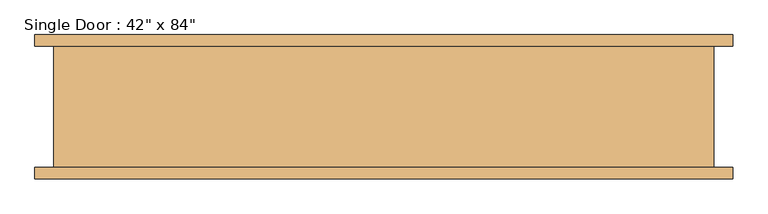
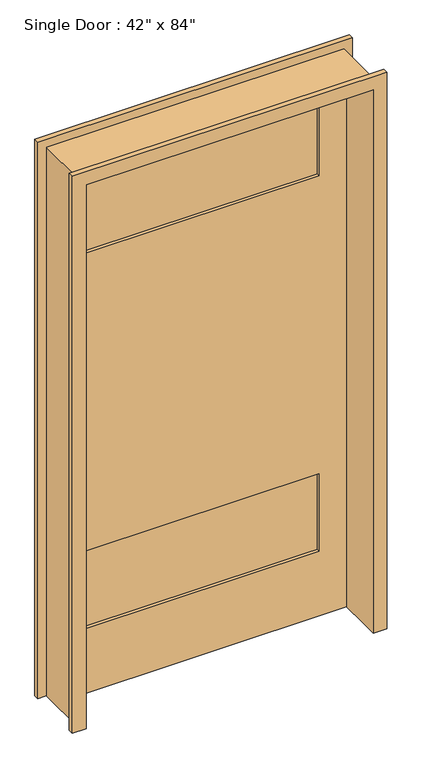
"""IFC4 building model written with IfcOpenShell, lengths in millimetres: door geometry."""

import ifcopenshell
import ifcopenshell.guid

model = None  # the IFC model being written
_history = None  # IfcOwnerHistory: only IFC2X3 demands one
_inside = {}  # id of a spatial element -> (the spatial element, [elements in it])
_under = {}  # id of a project, library or spatial element -> (it, [spatial elements below it])
_declared = {}  # id of a project -> (the project, [libraries it declares])
_typed = {}  # id of a type object -> (the type object, [elements of that type])
_made_of = {}  # id of a material, layer set ... -> (it, [elements and type objects made of it])


def new_model(schema):
    """Start an empty IFC model of exactly this schema.

    Asked for "IFC4X3", IfcOpenShell would pick the latest addendum, in which some entities
    have other attributes; the version numbers below select the first issue.
    IFC2X3 requires an IfcOwnerHistory on every rooted entity: one is made here for all.
    """
    global model, _history
    if schema == "IFC4X3":
        model = ifcopenshell.file(schema_version=(4, 3, 0, 0))
    else:
        model = ifcopenshell.file(schema=schema)
    _inside.clear()
    _under.clear()
    _declared.clear()
    _typed.clear()
    _made_of.clear()
    _history = None
    if model.schema == "IFC2X3":
        org = make("IfcOrganization", Name="unknown")
        user = make(
            "IfcPersonAndOrganization",
            ThePerson=make("IfcPerson", FamilyName="unknown"),
            TheOrganization=org,
        )
        app = make(
            "IfcApplication",
            ApplicationDeveloper=org,
            Version="unknown",
            ApplicationFullName="unknown",
            ApplicationIdentifier="unknown",
        )
        _history = make(
            "IfcOwnerHistory",
            OwningUser=user,
            OwningApplication=app,
            ChangeAction="ADDED",
            CreationDate=0,
        )
    return model


def make(cls, **values):
    """One entity of the class cls with the attributes given. An attribute that is None is left unset."""
    return model.create_entity(
        cls, **{name: value for name, value in values.items() if value is not None}
    )


def rooted(cls, **values):
    """An entity with a GlobalId (a new one), such as an element, a storey or a relation."""
    return make(cls, GlobalId=ifcopenshell.guid.new(), OwnerHistory=_history, **values)


def si_unit(unit_type, name, prefix=None):
    """IfcSIUnit, for example si_unit("LENGTHUNIT", "METRE", prefix="MILLI")."""
    return make("IfcSIUnit", UnitType=unit_type, Prefix=prefix, Name=name)


def assignment(units):
    """IfcUnitAssignment: the units of a project."""
    return None if units is None else make("IfcUnitAssignment", Units=units)


def point(xyz):
    """IfcCartesianPoint."""
    return None if xyz is None else make("IfcCartesianPoint", Coordinates=xyz)


def direction(xyz):
    """IfcDirection."""
    return None if xyz is None else make("IfcDirection", DirectionRatios=xyz)


def frame(location, z_axis=None, x_axis=None):
    """IfcAxis2Placement3D, a coordinate frame: its origin and axes. An axis left out is left unset."""
    return make(
        "IfcAxis2Placement3D",
        Location=point(location),
        Axis=direction(z_axis),
        RefDirection=direction(x_axis),
    )


def origin():
    """The frame at (0, 0, 0) with its axes left unset."""
    return frame((0.0, 0.0, 0.0))


def place(relative_to, where):
    """IfcLocalPlacement: puts the frame where relative to a parent placement (None: the world)."""
    return make(
        "IfcLocalPlacement", PlacementRelTo=relative_to, RelativePlacement=where
    )


def context(
    kind, dimensions, precision=None, world=None, true_north=None, identifier=None
):
    """IfcGeometricRepresentationContext, for example the 3D "Model" context."""
    return make(
        "IfcGeometricRepresentationContext",
        ContextIdentifier=identifier,
        ContextType=kind,
        CoordinateSpaceDimension=dimensions,
        Precision=precision,
        WorldCoordinateSystem=world,
        TrueNorth=true_north,
    )


def project(units=None, contexts=None):
    """IfcProject with its units and contexts."""
    return rooted(
        "IfcProject",
        Name="project",
        RepresentationContexts=contexts,
        UnitsInContext=assignment(units),
    )


def spatial(cls, under=None, at=None, **own):
    """A site, building, storey or space (cls), placed at a placement, below another one or the project."""
    s = rooted(cls, ObjectPlacement=at, **own)
    if under is not None:
        _under.setdefault(under.id(), (under, []))[1].append(s)
    return s


def polyline(points):
    """IfcPolyline through the points."""
    return make("IfcPolyline", Points=[point(p) for p in points])


def outline(outer, holes=None, kind="AREA"):
    """IfcArbitraryClosedProfileDef: a profile drawn as a closed curve; with holes, ...WithVoids."""
    if holes is None:
        return make("IfcArbitraryClosedProfileDef", ProfileType=kind, OuterCurve=outer)
    return make(
        "IfcArbitraryProfileDefWithVoids",
        ProfileType=kind,
        OuterCurve=outer,
        InnerCurves=holes,
    )


def extrude(swept, where, along, depth):
    """IfcExtrudedAreaSolid: the profile swept, set in the frame where, extruded along a direction by depth."""
    return make(
        "IfcExtrudedAreaSolid",
        SweptArea=swept,
        Position=where,
        ExtrudedDirection=direction(along),
        Depth=depth,
    )


def faces_of(points, faces, orient=None, outer=None):
    """IfcFace entities. A face is a list of loops; a loop is a list of indices into points, from 0.

    orient and outer hold one flag for each loop. By default every Orientation is true, the
    first loop of a face is its IfcFaceOuterBound and the others are IfcFaceBound.
    """
    made = []
    for i, loops in enumerate(faces):
        bounds = []
        for j, loop in enumerate(loops):
            is_outer = j == 0 if outer is None else outer[i][j]
            bounds.append(
                make(
                    "IfcFaceOuterBound" if is_outer else "IfcFaceBound",
                    Bound=make("IfcPolyLoop", Polygon=[points[k] for k in loop]),
                    Orientation=True if orient is None else orient[i][j],
                )
            )
        made.append(make("IfcFace", Bounds=bounds))
    return made


def faceted_brep(points, faces, orient=None, outer=None, voids=None):
    """IfcFacetedBrep: a solid bounded by flat faces; with voids (closed shells), ...WithVoids."""
    shared = [point(p) for p in points]
    hull = make("IfcClosedShell", CfsFaces=faces_of(shared, faces, orient, outer))
    if voids is None:
        return make("IfcFacetedBrep", Outer=hull)
    return make(
        "IfcFacetedBrepWithVoids",
        Outer=hull,
        Voids=[
            make(cls, CfsFaces=faces_of(shared, fs, o, b)) for cls, fs, o, b in voids
        ],
    )


def shape(context_of_items, identifier, shape_type, items):
    """IfcShapeRepresentation: the items that make up one representation, for example the "Body"."""
    return make(
        "IfcShapeRepresentation",
        ContextOfItems=context_of_items,
        RepresentationIdentifier=identifier,
        RepresentationType=shape_type,
        Items=items,
    )


def source(mapping_origin, context_of_items, identifier, shape_type, items):
    """IfcRepresentationMap: a shape defined once, which mapped items show again and again."""
    return make(
        "IfcRepresentationMap",
        MappingOrigin=mapping_origin,
        MappedRepresentation=shape(context_of_items, identifier, shape_type, items),
    )


def transform(
    local_origin,
    x_axis=None,
    y_axis=None,
    z_axis=None,
    scale=None,
    scale2=None,
    scale3=None,
    uniform=True,
):
    """IfcCartesianTransformationOperator3D, or its non-uniform kind. x_axis, y_axis, z_axis: its Axis1, 2, 3."""
    if uniform:
        return make(
            "IfcCartesianTransformationOperator3D",
            Axis1=direction(x_axis),
            Axis2=direction(y_axis),
            LocalOrigin=point(local_origin),
            Scale=scale,
            Axis3=direction(z_axis),
        )
    return make(
        "IfcCartesianTransformationOperator3DnonUniform",
        Axis1=direction(x_axis),
        Axis2=direction(y_axis),
        LocalOrigin=point(local_origin),
        Scale=scale,
        Axis3=direction(z_axis),
        Scale2=scale2,
        Scale3=scale3,
    )


def mapped(mapping_source, mapping_target):
    """IfcMappedItem: shows the shape of a source again, moved by a transform."""
    return make(
        "IfcMappedItem", MappingSource=mapping_source, MappingTarget=mapping_target
    )


def made_of(thing, what):
    """Note that an element or type object is made of a material, layer set ...; save() writes the relation."""
    if what is not None:
        _made_of.setdefault(what.id(), (what, []))[1].append(thing)
    return thing


def element(
    cls,
    number,
    at=None,
    inside=None,
    cuts=None,
    type_object=None,
    material=None,
    context=None,
    identifier="Body",
    shape_type=None,
    held_by="IfcProductDefinitionShape",
    body=None,
    shapes=None,
    **own,
):
    """One element of the class cls, such as IfcWall. Its Tag is "e" and its number.

    at: its placement. inside: the storey or other place that contains it. cuts: it is an
    opening in that element (IfcRelVoidsElement). A single representation is given by context,
    identifier, shape_type and body (its items); several are given by shapes. held_by: the class
    of the entity that holds the representations. save() writes the other relations.
    """
    e = rooted(cls, Tag="e%d" % number, ObjectPlacement=at, **own)
    if body is not None:
        shapes = [shape(context, identifier, shape_type, body)]
    if shapes is not None:
        e.Representation = make(held_by, Representations=shapes)
    if inside is not None:
        _inside.setdefault(inside.id(), (inside, []))[1].append(e)
    if cuts is not None:
        rooted(
            "IfcRelVoidsElement", RelatingBuildingElement=cuts, RelatedOpeningElement=e
        )
    if type_object is not None:
        _typed.setdefault(type_object.id(), (type_object, []))[1].append(e)
    return made_of(e, material)


def aggregate(whole, parts):
    """IfcRelAggregates: a whole, such as a stair, and the parts it consists of."""
    return rooted("IfcRelAggregates", RelatingObject=whole, RelatedObjects=parts)


def save(model, path):
    """Write the relations noted so far, then the file.

    IfcRelAggregates (storeys below a building ...), IfcRelContainedInSpatialStructure (elements
    in a storey), IfcRelDefinesByType, IfcRelAssociatesMaterial and IfcRelDeclares: one each for
    every whole, place, type object, material and project.
    """
    for whole, parts in _under.values():
        aggregate(whole, parts)
    for where, things in _inside.values():
        rooted(
            "IfcRelContainedInSpatialStructure",
            RelatedElements=things,
            RelatingStructure=where,
        )
    for kind, things in _typed.values():
        rooted("IfcRelDefinesByType", RelatedObjects=things, RelatingType=kind)
    for what, things in _made_of.values():
        rooted("IfcRelAssociatesMaterial", RelatedObjects=things, RelatingMaterial=what)
    for by, libraries in _declared.values():
        rooted("IfcRelDeclares", RelatingContext=by, RelatedDefinitions=libraries)
    model.write(path)


def door_29c1a2c9(model_context):
    return source(origin(), model_context, "Body", "SolidModel", [
        extrude(outline(polyline([(431.8, 63.5), (-431.8, 63.5), (-431.8, 76.2), (431.8, 76.2), (431.8, 63.5)])), frame((0.0, 0.0, 254.0), z_axis=(0.0, 0.0, 1.0), x_axis=(1.0, 0.0, 0.0)), (0.0, 0.0, 1.0), 304.8),
        faceted_brep([(-584.2, -101.6, 0.0), (-552.45, -101.6, 0.0), (-552.45, 101.6, 0.0), (-584.2, 101.6, 0.0), (-584.2, 120.65, 0.0), (-533.4, 120.65, 0.0), (-533.4, -120.65, 0.0), (-584.2, -120.65, 0.0), (-584.2, -101.6, 2184.4), (584.2, -101.6, 2184.4), (584.2, -101.6, 0.0), (552.45, -101.6, 0.0), (552.45, -101.6, 2152.65), (-552.45, -101.6, 2152.65), (-552.45, 101.6, 2152.65), (552.45, 101.6, 2152.65), (552.45, 101.6, 0.0), (584.2, 101.6, 0.0), (584.2, 101.6, 2184.4), (-584.2, 101.6, 2184.4), (-584.2, 120.65, 2184.4), (584.2, 120.65, 2184.4), (584.2, 120.65, 0.0), (533.4, 120.65, 0.0), (533.4, 120.65, 2133.6), (-533.4, 120.65, 2133.6), (-533.4, -120.65, 2133.6), (533.4, -120.65, 2133.6), (533.4, -120.65, 0.0), (584.2, -120.65, 0.0), (584.2, -120.65, 2184.4), (-584.2, -120.65, 2184.4)], [[[0, 1, 2, 3, 4, 5, 6, 7]], [[1, 0, 8, 9, 10, 11, 12, 13]], [[2, 1, 13, 14]], [[3, 2, 14, 15, 16, 17, 18, 19]], [[4, 3, 19, 20]], [[5, 4, 20, 21, 22, 23, 24, 25]], [[6, 5, 25, 26]], [[7, 6, 26, 27, 28, 29, 30, 31]], [[0, 7, 31, 8]], [[13, 12, 15, 14]], [[19, 18, 21, 20]], [[25, 24, 27, 26]], [[9, 8, 31, 30]], [[11, 10, 29, 28, 23, 22, 17, 16]], [[12, 11, 16, 15]], [[18, 17, 22, 21]], [[24, 23, 28, 27]], [[10, 9, 30, 29]]]),
        extrude(outline(polyline([(431.8, 63.5), (-431.8, 63.5), (-431.8, 76.2), (431.8, 76.2), (431.8, 63.5)])), frame((0.0, 0.0, 1727.2), z_axis=(0.0, 0.0, 1.0), x_axis=(1.0, 0.0, 0.0)), (0.0, 0.0, 1.0), 304.8),
        extrude(outline(polyline([(2133.6, 533.4), (2133.6, -533.4), (0.0, -533.4), (0.0, 533.4), (2133.6, 533.4)]), holes=[polyline([(2032.0, 431.8), (1727.2, 431.8), (1727.2, -431.8), (2032.0, -431.8), (2032.0, 431.8)]), polyline([(558.8, 431.8), (254.0, 431.8), (254.0, -431.8), (558.8, -431.8), (558.8, 431.8)])]), frame((0.0, 50.8, 0.0), z_axis=(0.0, 1.0, 0.0), x_axis=(0.0, 0.0, 1.0)), (0.0, 0.0, 1.0), 50.8),
    ])


if __name__ == "__main__":
    model = new_model("IFC4")
    model_context = context("Model", 3, world=origin())
    ifc_project = project(units=[si_unit("LENGTHUNIT", "METRE", prefix="MILLI")], contexts=[model_context])
    site = spatial("IfcSite", under=ifc_project)
    building = spatial("IfcBuilding", under=site)
    placement = place(None, origin())
    door_shape = door_29c1a2c9(model_context)
    element("IfcDoor", 1, ObjectType="Single Door : 42\" x 84\"", at=placement, inside=building, context=model_context, shape_type="MappedRepresentation", body=[
        mapped(door_shape, transform((0.0, 0.0, 0.0), x_axis=(1.0, 0.0, 0.0), y_axis=(0.0, 1.0, 0.0), z_axis=(0.0, 0.0, 1.0))),
    ])
    save(model, "model.ifc")
